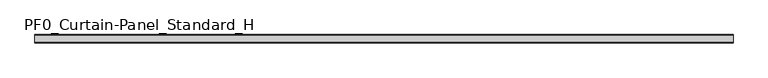
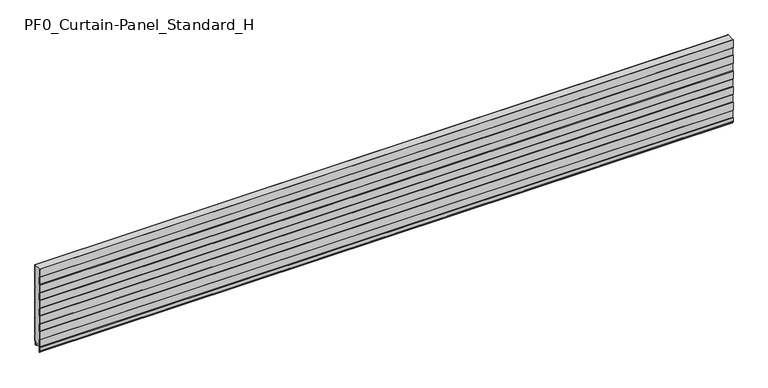
"""IFC4 building model written with IfcOpenShell, lengths in millimetres: plate geometry, PF0_Curtain-Panel_Standard_H."""

from ifc_helpers import new_model, si_unit, point, frame, frame_2d, origin, place, context, project, spatial, polyline, circle_curve, trimmed, segment, composite_curve, outline, extrude, source, transform, mapped, element, save


def pf0_curtain_panel_standard_h_55e018fd(model_context):
    return source(origin(), model_context, "Body", "SweptSolid", [
        extrude(outline(composite_curve([segment(polyline([(-40.0, 0.0), (-43.5, 0.0)]), True, "CONTINUOUS"), segment(trimmed(circle_curve(frame_2d((-43.5, -2.0)), 2.0), [point((-43.5, 0.0))], [point((-45.5, -2.0))], True, "CARTESIAN"), True, "CONTINUOUS"), segment(polyline([(-45.5, -2.0), (-45.5, -33.0)]), True, "CONTINUOUS"), segment(trimmed(circle_curve(frame_2d((-46.5, -33.0)), 1.0), [point((-45.5, -33.0))], [point((-47.5, -33.0))], False, "CARTESIAN"), True, "CONTINUOUS"), segment(polyline([(-47.5, -33.0), (-47.5, -26.9)]), True, "CONTINUOUS"), segment(trimmed(circle_curve(frame_2d((-48.4, -26.9)), 0.9), [point((-47.5, -26.9))], [point((-48.4, -26.0))], True, "CARTESIAN"), True, "CONTINUOUS"), segment(trimmed(circle_curve(frame_2d((-48.4, -24.4)), 1.6), [point((-48.4, -26.0))], [point((-50.0, -24.4))], False, "CARTESIAN"), True, "CONTINUOUS"), segment(polyline([(-50.0, -24.4), (-50.0, -0.9952559), (-48.5, 1.6028217), (-48.5, 46.4028193), (-50.0, 49.0008969), (-50.0, 99.0047441), (-48.5, 101.6028217), (-48.5, 146.4028193), (-50.0, 149.0008969), (-50.0, 199.0047441), (-48.5, 201.6028217), (-48.5, 246.4028193), (-50.0, 249.0008969), (-50.0, 299.0047441), (-48.5, 301.6028217), (-48.5, 346.4028193), (-50.0, 349.0008969), (-50.0, 399.0047441), (-48.5, 401.6028217), (-48.5, 446.4028193), (-50.0, 449.0008969), (-50.0, 499.0047441), (-49.425389, 500.0), (-48.5016287, 500.0), (-49.2, 498.7903848), (-49.2, 449.2152562), (-47.7, 446.6171786), (-47.7, 401.3884624), (-49.2, 398.7903848), (-49.2, 349.2152562), (-47.7, 346.6171786), (-47.7, 301.3884624), (-49.2, 298.7903848), (-49.2, 249.2152562), (-47.7, 246.6171786), (-47.7, 201.3884624), (-49.2, 198.7903848), (-49.2, 149.2152562), (-47.7, 146.6171786), (-47.7, 101.3884624), (-49.2, 98.7903848), (-49.2, 49.2152562), (-47.7, 46.6171786), (-47.7, 1.3884624), (-49.2, -1.2096152), (-49.2, -24.4)]), True, "CONTINUOUS"), segment(trimmed(circle_curve(frame_2d((-48.4, -24.4)), 0.8), [point((-49.2, -24.4))], [point((-48.4, -25.2))], True, "CARTESIAN"), True, "CONTINUOUS"), segment(trimmed(circle_curve(frame_2d((-48.6133333, -26.9)), 1.7133333), [point((-48.4, -25.2))], [point((-46.9, -26.9))], False, "CARTESIAN"), True, "CONTINUOUS"), segment(polyline([(-46.9, -26.9), (-46.9, -32.8700312)]), True, "CONTINUOUS"), segment(trimmed(circle_curve(frame_2d((-46.6, -32.8700312)), 0.3), [point((-46.9, -32.8700312))], [point((-46.3, -32.8700312))], True, "CARTESIAN"), True, "CONTINUOUS"), segment(polyline([(-46.3, -32.8700312), (-46.3, -2.0)]), True, "CONTINUOUS"), segment(trimmed(circle_curve(frame_2d((-43.5, -2.0)), 2.8), [point((-46.3, -2.0))], [point((-43.5, 0.8))], False, "CARTESIAN"), True, "CONTINUOUS"), segment(polyline([(-43.5, 0.8), (-40.0, 0.8), (-40.0, 0.0)]), True, "CONTINUOUS")], self_intersect=False)), frame((-2100.0119739, 0.0, 0.0), z_axis=(1.0, 0.0, 0.0), x_axis=(0.0, 1.0, 0.0)), (0.0, 0.0, 1.0), 4200.0239479),
        extrude(outline(composite_curve([segment(polyline([(-15.878557, 0.0), (-20.0, 0.0), (-20.0, 0.8), (-15.878557, 0.8)]), True, "CONTINUOUS"), segment(trimmed(circle_curve(frame_2d((-15.878557, -2.0)), 2.8), [point((-15.878557, 0.8))], [point((-13.1503208, -1.370137))], False, "CARTESIAN"), True, "CONTINUOUS"), segment(polyline([(-13.1503208, -1.370137), (-11.728236, -7.529863)]), True, "CONTINUOUS"), segment(trimmed(circle_curve(frame_2d((-9.0, -6.9)), 2.8), [point((-11.728236, -7.529863))], [point((-6.2, -6.9))], True, "CARTESIAN"), True, "CONTINUOUS"), segment(polyline([(-6.2, -6.9), (-6.2, 8.6)]), True, "CONTINUOUS"), segment(trimmed(circle_curve(frame_2d((-3.4, 8.6)), 2.8), [point((-6.2, 8.6))], [point((-3.4, 11.4))], False, "CARTESIAN"), True, "CONTINUOUS"), segment(polyline([(-3.4, 11.4), (-2.0, 11.4)]), True, "CONTINUOUS"), segment(trimmed(circle_curve(frame_2d((-2.0, 12.6)), 1.2), [point((-2.0, 11.4))], [point((-0.8, 12.6))], True, "CARTESIAN"), True, "CONTINUOUS"), segment(polyline([(-0.8, 12.6), (-0.8, 57.6856412), (-2.482606, 60.6), (-0.8, 63.5143588), (-0.8, 157.6856412), (-2.482606, 160.6), (-0.8, 163.5143588), (-0.8, 257.6856412), (-2.482606, 260.6), (-0.8, 263.5143588), (-0.8, 357.6856412), (-2.482606, 360.6), (-0.8, 363.5143588), (-0.8, 457.6856412), (-2.482606, 460.6), (-0.8, 463.5143588), (-0.8, 500.0), (0.0, 500.0), (0.0, 463.2999995), (-1.5588455, 460.6), (0.0, 457.9000005), (0.0, 363.2999995), (-1.5588455, 360.6), (0.0, 357.9000005), (0.0, 263.2999995), (-1.5588455, 260.6), (0.0, 257.9000005), (0.0, 163.2999995), (-1.5588455, 160.6), (0.0, 157.9000005), (0.0, 63.2999995), (-1.5588455, 60.6), (0.0, 57.9000005), (0.0, 12.6)]), True, "CONTINUOUS"), segment(trimmed(circle_curve(frame_2d((-2.0, 12.6)), 2.0), [point((0.0, 12.6))], [point((-2.0, 10.6))], False, "CARTESIAN"), True, "CONTINUOUS"), segment(polyline([(-2.0, 10.6), (-3.4, 10.6)]), True, "CONTINUOUS"), segment(trimmed(circle_curve(frame_2d((-3.4, 8.6)), 2.0), [point((-3.4, 10.6))], [point((-5.4, 8.6))], True, "CARTESIAN"), True, "CONTINUOUS"), segment(polyline([(-5.4, 8.6), (-5.4, -6.9)]), True, "CONTINUOUS"), segment(trimmed(circle_curve(frame_2d((-9.0, -6.9)), 3.6), [point((-5.4, -6.9))], [point((-12.5077322, -7.7098239))], False, "CARTESIAN"), True, "CONTINUOUS"), segment(polyline([(-12.5077322, -7.7098239), (-13.929817, -1.5500979)]), True, "CONTINUOUS"), segment(trimmed(circle_curve(frame_2d((-15.878557, -2.0)), 2.0), [point((-13.929817, -1.5500979))], [point((-15.878557, 0.0))], True, "CARTESIAN"), True, "CONTINUOUS")], self_intersect=False)), frame((-2100.0119739, 0.0, 0.0), z_axis=(1.0, 0.0, 0.0), x_axis=(0.0, 1.0, 0.0)), (0.0, 0.0, 1.0), 4200.0239479),
        extrude(outline(composite_curve([segment(polyline([(-40.0, 0.8), (-43.5, 0.8)]), True, "CONTINUOUS"), segment(trimmed(circle_curve(frame_2d((-43.5, -2.0)), 2.8), [point((-43.5, 0.8))], [point((-46.3, -2.0))], True, "CARTESIAN"), True, "CONTINUOUS"), segment(polyline([(-46.3, -2.0), (-46.3, -32.8700312)]), True, "CONTINUOUS"), segment(trimmed(circle_curve(frame_2d((-46.6, -32.8700312)), 0.3), [point((-46.3, -32.8700312))], [point((-46.9, -32.8700312))], False, "CARTESIAN"), True, "CONTINUOUS"), segment(polyline([(-46.9, -32.8700312), (-46.9, -26.9)]), True, "CONTINUOUS"), segment(trimmed(circle_curve(frame_2d((-48.6133333, -26.9)), 1.7133333), [point((-46.9, -26.9))], [point((-48.4, -25.2))], True, "CARTESIAN"), True, "CONTINUOUS"), segment(trimmed(circle_curve(frame_2d((-48.4, -24.4)), 0.8), [point((-48.4, -25.2))], [point((-49.2, -24.4))], False, "CARTESIAN"), True, "CONTINUOUS"), segment(polyline([(-49.2, -24.4), (-49.2, -1.2096152), (-47.7, 1.3884624), (-47.7, 46.6171786), (-49.2, 49.2152562), (-49.2, 98.7903848), (-47.7, 101.3884624), (-47.7, 146.6171786), (-49.2, 149.2152562), (-49.2, 198.7903848), (-47.7, 201.3884624), (-47.7, 246.6171786), (-49.2, 249.2152562), (-49.2, 298.7903848), (-47.7, 301.3884624), (-47.7, 346.6171786), (-49.2, 349.2152562), (-49.2, 398.7903848), (-47.7, 401.3884624), (-47.7, 446.6171786), (-49.2, 449.2152562), (-49.2, 498.7903848), (-48.5016287, 500.0), (-0.8, 500.0), (-0.8, 463.5143588), (-2.482606, 460.6), (-0.8, 457.6856412), (-0.8, 363.5143588), (-2.482606, 360.6), (-0.8, 357.6856412), (-0.8, 263.5143588), (-2.482606, 260.6), (-0.8, 257.6856412), (-0.8, 163.5143588), (-2.482606, 160.6), (-0.8, 157.6856412), (-0.8, 63.5143588), (-2.482606, 60.6), (-0.8, 57.6856412), (-0.8, 12.6)]), True, "CONTINUOUS"), segment(trimmed(circle_curve(frame_2d((-2.0, 12.6)), 1.2), [point((-0.8, 12.6))], [point((-2.0, 11.4))], False, "CARTESIAN"), True, "CONTINUOUS"), segment(polyline([(-2.0, 11.4), (-3.4, 11.4)]), True, "CONTINUOUS"), segment(trimmed(circle_curve(frame_2d((-3.4, 8.6)), 2.8), [point((-3.4, 11.4))], [point((-6.2, 8.6))], True, "CARTESIAN"), True, "CONTINUOUS"), segment(polyline([(-6.2, 8.6), (-6.2, -6.9)]), True, "CONTINUOUS"), segment(trimmed(circle_curve(frame_2d((-9.0, -6.9)), 2.8), [point((-6.2, -6.9))], [point((-11.7282362, -7.529863))], False, "CARTESIAN"), True, "CONTINUOUS"), segment(polyline([(-11.7282362, -7.529863), (-13.1503208, -1.370137)]), True, "CONTINUOUS"), segment(trimmed(circle_curve(frame_2d((-15.878557, -2.0)), 2.8), [point((-13.1503208, -1.370137))], [point((-15.878557, 0.8))], True, "CARTESIAN"), True, "CONTINUOUS"), segment(polyline([(-15.878557, 0.8), (-20.0, 0.8), (-20.0, 0.0), (-40.0, 0.0), (-40.0, 0.8)]), True, "CONTINUOUS")], self_intersect=False)), frame((-2100.0119739, 0.0, 0.0), z_axis=(1.0, 0.0, 0.0), x_axis=(0.0, 1.0, 0.0)), (0.0, 0.0, 1.0), 4200.0239479),
    ])


if __name__ == "__main__":
    model = new_model("IFC4")
    model_context = context("Model", 3, world=origin())
    ifc_project = project(units=[si_unit("LENGTHUNIT", "METRE", prefix="MILLI")], contexts=[model_context])
    site = spatial("IfcSite", under=ifc_project)
    building = spatial("IfcBuilding", under=site)
    placement = place(None, origin())
    pf0_curtain_panel_standard_h_shape = pf0_curtain_panel_standard_h_55e018fd(model_context)
    element("IfcPlate", 1, ObjectType="PF0_Curtain-Panel_Standard_H", at=placement, inside=building, context=model_context, shape_type="MappedRepresentation", body=[
        mapped(pf0_curtain_panel_standard_h_shape, transform((0.0, 0.0, 0.0), x_axis=(1.0, 0.0, 0.0), y_axis=(0.0, 1.0, 0.0), z_axis=(0.0, 0.0, 1.0))),
    ])
    save(model, "model.ifc")
